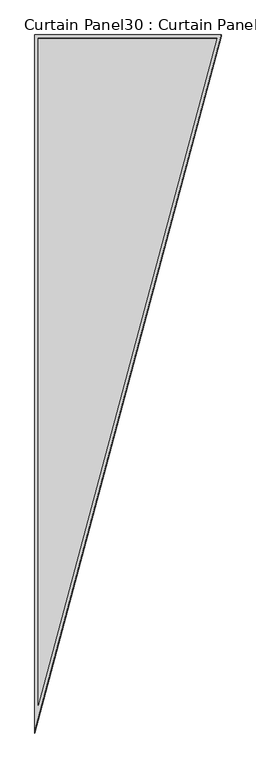
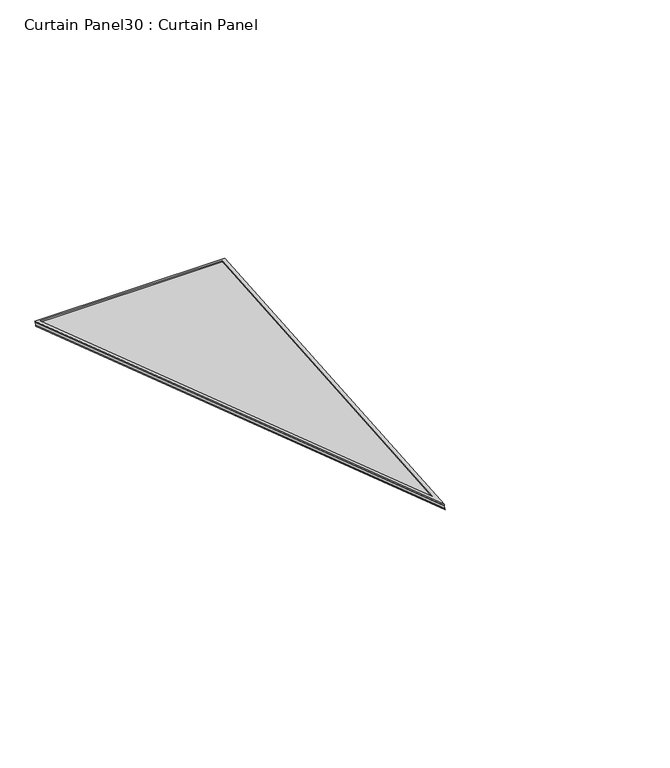
"""IFC4 building model written with IfcOpenShell, lengths in millimetres: plate geometry, Curtain Panel30 : Curtain Panel."""

from ifc_helpers import new_model, si_unit, frame, origin, place, context, project, spatial, polyline, outline, extrude, source, transform, mapped, element, save


def curtain_panel30_curtain_panel_f7b4058a(model_context):
    return source(origin(), model_context, "Body", "SweptSolid", [
        extrude(outline(polyline([(895.9716776, 0.0), (0.0, -3524.5856788), (0.0, 0.0), (895.9716776, 0.0)]), holes=[polyline([(874.5109852, -16.6878), (16.6878, -16.6878), (16.6878, -3391.2044161), (874.5109852, -16.6878)])]), frame((13159.4641776, 7986.0022959, 881.9772337), z_axis=(0.0, 0.31614582397380575, 0.9487106081329141), x_axis=(1.0, 0.0, 0.0)), (0.0, 0.0, 1.0), 4.6914358),
        extrude(outline(polyline([(895.9716776, 0.0), (0.0, -3524.5856788), (0.0, 0.0), (895.9716776, 0.0)]), holes=[polyline([(874.5431382, -16.6627978), (16.6627979, -16.6627978), (16.6627979, -3391.4042515), (874.5431382, -16.6627978)])]), frame((13159.4641776, 7991.5840265, 898.727248), z_axis=(0.0, 0.31614582397380586, 0.948710608132914), x_axis=(1.0, 0.0, 0.0)), (0.0, 0.0, 1.0), 4.8031983),
        extrude(outline(polyline([(28.0616023, 0.0), (924.0332799, 0.0), (28.0616023, -3524.5856788), (28.0616023, 0.0)])), frame((13131.4025753, 7987.4854737, 886.4280486), z_axis=(0.0, 0.3161458239738058, 0.948710608132914), x_axis=(1.0, 0.0, 0.0)), (0.0, 0.0, 1.0), 12.9641213),
    ])


if __name__ == "__main__":
    model = new_model("IFC4")
    model_context = context("Model", 3, world=origin())
    ifc_project = project(units=[si_unit("LENGTHUNIT", "METRE", prefix="MILLI")], contexts=[model_context])
    site = spatial("IfcSite", under=ifc_project)
    building = spatial("IfcBuilding", under=site)
    placement = place(None, origin())
    curtain_panel30_curtain_panel_shape = curtain_panel30_curtain_panel_f7b4058a(model_context)
    element("IfcPlate", 1, ObjectType="Curtain Panel30 : Curtain Panel", at=placement, inside=building, context=model_context, shape_type="MappedRepresentation", body=[
        mapped(curtain_panel30_curtain_panel_shape, transform((0.0, 0.0, 0.0), x_axis=(1.0, 0.0, 0.0), y_axis=(0.0, 1.0, 0.0), z_axis=(0.0, 0.0, 1.0))),
    ])
    save(model, "model.ifc")
